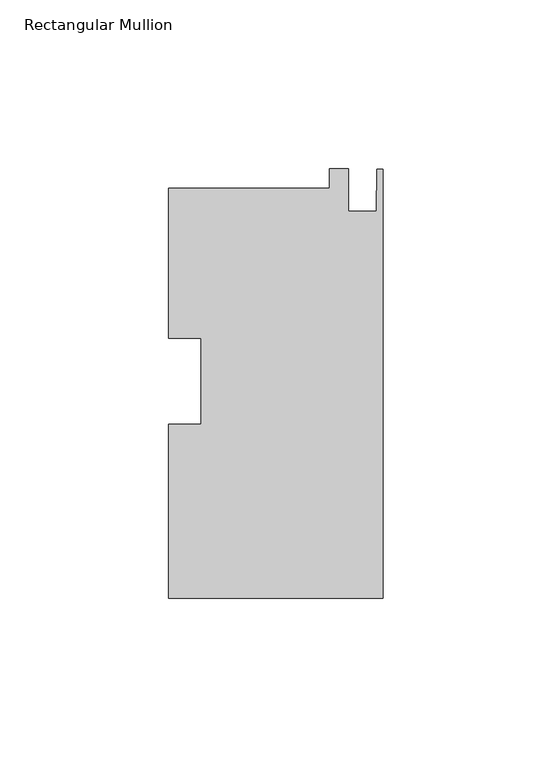
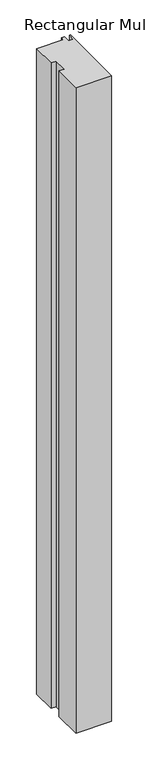
"""IFC4 building model written with IfcOpenShell, lengths in millimetres: member geometry, Rectangular Mullion."""

from ifc_helpers import new_model, si_unit, frame, origin, place, context, project, spatial, polyline, outline, extrude, source, transform, mapped, element, save


def rectangular_mullion_3698d3f1(model_context):
    return source(origin(), model_context, "Body", "SweptSolid", [
        extrude(outline(polyline([(-63.5, -87.9419284), (-63.5, -36.4376359), (-53.975, -36.4376359), (-53.975, -10.9217692), (-63.5, -10.9217692), (-63.5, 33.4954716), (-15.875, 33.4954716), (-15.875, 39.203981), (-10.3124, 39.203981), (-10.3124, 26.7136716), (-2.032, 26.7136716), (-1.778, 39.0580716), (0.0, 39.0580716), (0.0, -87.9419284), (-63.5, -87.9419284)])), frame((0.0, 0.0, -1219.2), z_axis=(0.0, 0.0, 1.0), x_axis=(1.0, 0.0, 0.0)), (0.0, 0.0, 1.0), 1219.2),
    ])


if __name__ == "__main__":
    model = new_model("IFC4")
    model_context = context("Model", 3, world=origin())
    ifc_project = project(units=[si_unit("LENGTHUNIT", "METRE", prefix="MILLI")], contexts=[model_context])
    site = spatial("IfcSite", under=ifc_project)
    building = spatial("IfcBuilding", under=site)
    placement = place(None, origin())
    rectangular_mullion_shape = rectangular_mullion_3698d3f1(model_context)
    element("IfcMember", 1, ObjectType="Rectangular Mullion", at=placement, inside=building, context=model_context, shape_type="MappedRepresentation", body=[
        mapped(rectangular_mullion_shape, transform((0.0, 0.0, 0.0), x_axis=(1.0, 0.0, 0.0), y_axis=(0.0, 1.0, 0.0), z_axis=(0.0, 0.0, 1.0))),
    ])
    save(model, "model.ifc")
